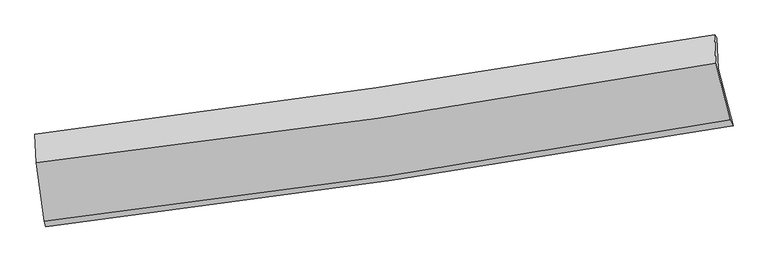
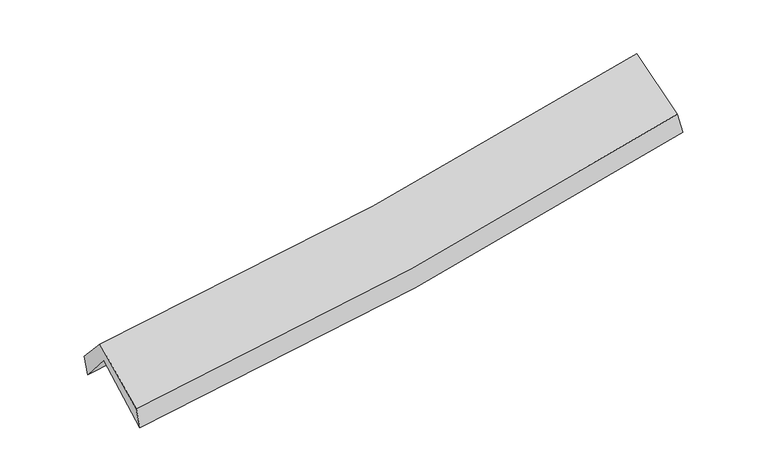
"""IFC4 building model written with IfcOpenShell, lengths in millimetres: proxy geometry."""

from ifc_helpers import new_model, si_unit, frame, origin, place, context, project, spatial, source, transform, mapped, element, save
from ifc_brep_helpers import plane_surface, spline_curve, spline_surface, advanced_brep


def generic_models_a3005fc5(model_context):
    return source(origin(), model_context, "Body", "AdvancedBrep", [
        advanced_brep(
        [(-2913.6564032, -2519.2067632, 1461.0657911), (-2986.3033732, -2010.3381015, 1893.4390995), (2919.4606283, -1150.6096162, 2403.0342148), (3046.988423, -1643.1736904, 1978.5881783), (-2997.4025891, -1753.1511785, 1587.9582462), (2906.3376241, -881.1277752, 2099.1256218), (-3009.7089537, -1716.984408, 1764.8026925), (2885.8000668, -856.3665831, 2254.1608124), (-2997.950004, -1967.1472577, 2042.2448591), (2897.3828083, -1103.6364045, 2537.3600479), (-2926.9705639, -2473.9566073, 1639.7173494), (3020.5060303, -1591.8765017, 2147.7305733)],
        [
            (0, 1),
            (1, 2, spline_curve(3, [(-2986.3033732, -2010.3381015, 1893.4390995), (-1993.0575877, -1889.1548597, 1936.705063428), (-1003.246689197, -1756.742723812, 2000.939330144), (965.312169467, -1470.071295355, 2170.982265563), (1944.089271336, -1315.90726925, 2276.613037525), (2919.4606283, -1150.6096162, 2403.0342148)], [4, 2, 4], [0.0, 9.897082229035503, 19.752091151752285])),
            (2, 3),
            (3, 0, spline_curve(3, [(3046.988423, -1643.1736904, 1978.5881783), (2063.125353386, -1814.228535856, 1849.533575106), (1075.539411965, -1972.630223477, 1741.925491323), (-911.310341353, -2264.749517015, 1569.234517481), (-1910.606008528, -2398.358853681, 1504.33513917), (-2913.6564032, -2519.2067632, 1461.0657911)], [4, 2, 4], [0.0, 9.855008922716783, 19.752091151752285])),
            (1, 4),
            (4, 5, spline_curve(3, [(-2997.4025891, -1753.1511785, 1587.9582462), (-2003.940901903, -1629.562854871, 1625.668223096), (-1014.191650601, -1494.921794155, 1687.261994013), (953.690257422, -1204.153553702, 1857.853751665), (1931.854410273, -1048.12014708, 1966.649106004), (2906.3376241, -881.1277752, 2099.1256218)], [4, 2, 4], [0.0, 9.850237009939235, 19.658599856418927])),
            (5, 2),
            (4, 6),
            (6, 7, spline_curve(3, [(-3009.7089537, -1716.984408, 1764.8026925), (-2019.680036422, -1593.368082687, 1818.191937062), (-1032.332371911, -1459.667569126, 1885.78345402), (932.814553632, -1172.709405606, 2049.023320888), (1910.636562631, -1019.537310848, 2144.551177053), (2885.8000668, -856.3665831, 2254.1608124)], [4, 2, 4], [0.0, 9.839731542092743, 19.637633580329297])),
            (7, 5),
            (6, 8),
            (8, 9, spline_curve(3, [(-2997.950004, -1967.1472577, 2042.2448591), (-2005.905469663, -1853.233775411, 2088.935571088), (-1017.566890018, -1724.132235703, 2153.666757807), (947.512605769, -1436.166427582, 2318.858211089), (1924.284963782, -1277.431016494, 2419.165420899), (2897.3828083, -1103.6364045, 2537.3600479)], [4, 2, 4], [0.0, 9.830496386625537, 19.619202528796382])),
            (9, 7),
            (8, 10),
            (10, 11, spline_curve(3, [(-2926.9705639, -2473.9566073, 1639.7173494), (-1925.877709789, -2357.871987362, 1688.410218724), (-928.660760694, -2226.133153651, 1755.219771811), (1053.798554041, -1931.973640249, 1924.711216409), (2039.073802915, -1769.685771781, 2027.239404963), (3020.5060303, -1591.8765017, 2147.7305733)], [4, 2, 4], [0.0, 9.877289063718731, 19.71258896348395])),
            (11, 9),
            (10, 0),
            (3, 11),
        ],
        [
            spline_surface(3, 3, [[(-2913.6564032, -2519.2067632, 1461.0657911), (-1910.606008489, -2398.358853592, 1504.335139257), (-911.31034134, -2264.749516951, 1569.234517613), (1075.539411952, -1972.630223541, 1741.925491191), (2063.125353511, -1814.228535961, 1849.53357521), (3046.988423, -1643.1736904, 1978.5881783)], [(-2937.872059877, -2349.583875961, 1605.190227265), (-1938.089868253, -2228.624188918, 1648.458447358), (-941.955790609, -2095.413919308, 1713.136121793), (1038.79699779, -1805.110580784, 1884.944415981), (2023.44665944, -1648.121447009, 1991.893395917), (3004.479158083, -1478.985665667, 2120.070190454)], [(-2962.087716523, -2179.960988739, 1749.314663335), (-1965.573727987, -2058.88952426, 1792.581755363), (-972.601239902, -1926.078321602, 1857.03772597), (1002.054583603, -1637.590937965, 2027.963340768), (1983.767965419, -1482.014358057, 2134.253216662), (2961.969893217, -1314.797640933, 2261.552202646)], [(-2986.3033732, -2010.3381015, 1893.4390995), (-1993.05758775, -1889.154859586, 1936.705063464), (-1003.246689171, -1756.742723959, 2000.939330149), (965.31216944, -1470.071295209, 2170.982265558), (1944.089271348, -1315.907269104, 2276.61303737), (2919.4606283, -1150.6096162, 2403.0342148)]], [4, 4], [4, 2, 4], [0.0, 2.2027232717859415], [0.0, 9.897082229035503, 19.752091151752285]),
            spline_surface(3, 3, [[(-2986.3033732, -2010.3381015, 1893.4390995), (-1993.05758775, -1889.154859586, 1936.705063464), (-1003.246689171, -1756.742723959, 2000.939330149), (965.31216944, -1470.071295209, 2170.982265558), (1944.089271348, -1315.907269104, 2276.61303737), (2919.4606283, -1150.6096162, 2403.0342148)], [(-2990.003111807, -1924.609127177, 1791.612148387), (-1996.685359085, -1802.624191365, 1833.026116702), (-1006.895009604, -1669.469080627, 1896.380218155), (961.438198715, -1381.432048054, 2066.606094257), (1940.010984348, -1226.644895064, 2173.291726896), (2915.086293569, -1060.782335885, 2301.73135047)], [(-2993.702850493, -1838.880152823, 1689.785197313), (-2000.313130497, -1716.093523113, 1729.347169979), (-1010.543330024, -1582.195437369, 1791.821106089), (957.564228004, -1292.792800975, 1962.229922884), (1935.932697339, -1137.382520969, 2069.97041641), (2910.711958831, -970.955055515, 2200.42848613)], [(-2997.4025891, -1753.1511785, 1587.9582462), (-2003.940901831, -1629.562854893, 1625.668223217), (-1014.191650457, -1494.921794036, 1687.261994095), (953.690257279, -1204.153553821, 1857.853751583), (1931.854410338, -1048.120146929, 1966.649105936), (2906.3376241, -881.1277752, 2099.1256218)]], [4, 4], [4, 2, 4], [0.0, 1.3446313465795423], [0.0, 9.850237009939235, 19.658599856418927]),
            spline_surface(3, 3, [[(-2997.4025891, -1753.1511785, 1587.9582462), (-2003.940901831, -1629.562854893, 1625.668223217), (-1014.191650457, -1494.921794036, 1687.261994095), (953.690257279, -1204.153553821, 1857.853751583), (1931.854410338, -1048.120146929, 1966.649105936), (2906.3376241, -881.1277752, 2099.1256218)], [(-3001.504710664, -1741.095588327, 1646.906394974), (-2009.187280014, -1617.497930823, 1689.842794511), (-1020.238557609, -1483.170385723, 1753.435814078), (946.731689384, -1193.672171085, 1921.576941291), (1924.781794454, -1038.592534929, 2025.949796321), (2899.491771658, -872.874044501, 2150.804018669)], [(-3005.606832136, -1729.039998173, 1705.854543726), (-2014.433658103, -1605.433006773, 1754.017365784), (-1026.285464742, -1471.418977421, 1819.60963414), (939.773121509, -1183.19078836, 1985.300131079), (1917.709178596, -1029.064922924, 2085.250486698), (2892.645919242, -864.620313799, 2202.482415531)], [(-3009.7089537, -1716.984408, 1764.8026925), (-2019.680036286, -1593.368082703, 1818.191937078), (-1032.332371894, -1459.667569107, 1885.783454122), (932.814553615, -1172.709405625, 2049.023320787), (1910.636562712, -1019.537310924, 2144.551177083), (2885.8000668, -856.3665831, 2254.1608124)]], [4, 4], [4, 2, 4], [0.0, 0.6517558148113979], [0.0, 9.839731542092743, 19.637633580329297]),
            spline_surface(3, 3, [[(-3009.7089537, -1716.984408, 1764.8026925), (-2019.680036286, -1593.368082703, 1818.191937078), (-1032.332371894, -1459.667569107, 1885.783454122), (932.814553615, -1172.709405625, 2049.023320787), (1910.636562712, -1019.537310924, 2144.551177083), (2885.8000668, -856.3665831, 2254.1608124)], [(-3005.789303776, -1800.372024576, 1857.283414679), (-2015.088514028, -1679.989980279, 1908.439815095), (-1027.410544585, -1547.822457947, 1975.077888697), (937.713904337, -1260.528412973, 2138.968284245), (1915.186029684, -1105.501879413, 2236.089258313), (2889.660980628, -938.789856894, 2348.560557569)], [(-3001.869653924, -1883.759641124, 1949.764136921), (-2010.496991842, -1766.611877827, 1998.687693174), (-1022.488717307, -1635.977346782, 2064.372323216), (942.613255028, -1348.347420315, 2228.913247647), (1919.735496672, -1191.46644792, 2327.627339536), (2893.521894472, -1021.213130706, 2442.960302731)], [(-2997.950004, -1967.1472577, 2042.2448591), (-2005.905469584, -1853.233775403, 2088.935571191), (-1017.566889999, -1724.132235622, 2153.666757791), (947.51260575, -1436.166427662, 2318.858211105), (1924.284963644, -1277.431016409, 2419.165420767), (2897.3828083, -1103.6364045, 2537.3600479)]], [4, 4], [4, 2, 4], [0.0, 1.237083130912777], [0.0, 9.830496386625537, 19.619202528796382]),
            spline_surface(3, 3, [[(-2997.950004, -1967.1472577, 2042.2448591), (-2005.905469584, -1853.233775403, 2088.935571191), (-1017.566889999, -1724.132235622, 2153.666757791), (947.51260575, -1436.166427662, 2318.858211105), (1924.284963644, -1277.431016409, 2419.165420767), (2897.3828083, -1103.6364045, 2537.3600479)], [(-2974.290190653, -2136.083707535, 1908.06902254), (-1979.229549672, -2021.446512657, 1955.427120357), (-987.931513555, -1891.465875028, 2020.851095726), (982.941255124, -1601.43549851, 2187.475879576), (1962.547910042, -1441.51593485, 2288.523415481), (2938.423882311, -1266.383103569, 2407.483556381)], [(-2950.630377247, -2305.020157465, 1773.89318596), (-1952.553629702, -2189.659250007, 1821.918669503), (-958.296137041, -2058.799514361, 1888.035433714), (1018.369904569, -1766.704569285, 2056.0935481), (2000.810856405, -1605.600853284, 2157.881410153), (2979.464956289, -1429.129802631, 2277.607064819)], [(-2926.9705639, -2473.9566073, 1639.7173494), (-1925.87770979, -2357.871987262, 1688.410218669), (-928.660760597, -2226.133153768, 1755.219771649), (1053.798553944, -1931.973640134, 1924.71121657), (2039.073802802, -1769.685771725, 2027.239404868), (3020.5060303, -1591.8765017, 2147.7305733)]], [4, 4], [4, 2, 4], [0.0, 2.1147927232692263], [0.0, 9.877289063718731, 19.71258896348395]),
            spline_surface(3, 3, [[(-2926.9705639, -2473.9566073, 1639.7173494), (-1925.87770979, -2357.871987262, 1688.410218669), (-928.660760597, -2226.133153768, 1755.219771649), (1053.798553944, -1931.973640134, 1924.71121657), (2039.073802802, -1769.685771725, 2027.239404868), (3020.5060303, -1591.8765017, 2147.7305733)], [(-2922.532510323, -2489.039992625, 1580.166829955), (-1920.787142679, -2371.367609396, 1627.051858853), (-922.877287495, -2239.00527481, 1693.224686971), (1061.04550663, -1945.525834584, 1863.782641444), (2047.090986388, -1784.533359787, 1968.004128305), (3029.33349455, -1608.975564584, 2091.349774956)], [(-2918.094456777, -2504.123377875, 1520.616310545), (-1915.6965756, -2384.863231457, 1565.693499073), (-917.093814442, -2251.877395909, 1631.229602292), (1068.292459267, -1959.078029091, 1802.854066317), (2055.108169925, -1799.380947899, 1908.768851773), (3038.16095875, -1626.074627516, 2034.968976644)], [(-2913.6564032, -2519.2067632, 1461.0657911), (-1910.606008489, -2398.358853592, 1504.335139257), (-911.31034134, -2264.749516951, 1569.234517613), (1075.539411952, -1972.630223541, 1741.925491191), (2063.125353511, -1814.228535961, 1849.53357521), (3046.988423, -1643.1736904, 1978.5881783)]], [4, 4], [4, 2, 4], [0.0, 0.6220880780467433], [0.0, 9.933423970875937, 19.82462014371517]),
            plane_surface(frame((2946.0792635, -1204.4650952, 2236.6665747), z_axis=(0.9808918534978917, 0.16464945325493033, 0.10364231415943666), x_axis=(0.19338620934970416, -0.7668650973487846, -0.6119801438785344))),
            plane_surface(frame((-2971.9986479, -2073.4640527, 1731.5380063), z_axis=(-0.993741181533713, -0.10058987450266493, -0.048581285198298935), x_axis=(-0.07205668192357775, 0.2448953532681326, 0.9668681919154446))),
        ],
        [
            (0, [[1, 2, 3, 4]]),
            (1, [[5, 6, 7, -2]]),
            (2, [[8, 9, 10, -6]]),
            (3, [[11, 12, 13, -9]]),
            (4, [[14, 15, 16, -12]]),
            (5, [[17, -4, 18, -15]]),
            (6, [[-16, -18, -3, -7, -10, -13]]),
            (7, [[-17, -14, -11, -8, -5, -1]]),
        ],
    ),
    ])


if __name__ == "__main__":
    model = new_model("IFC4")
    model_context = context("Model", 3, world=origin())
    ifc_project = project(units=[si_unit("LENGTHUNIT", "METRE", prefix="MILLI")], contexts=[model_context])
    site = spatial("IfcSite", under=ifc_project)
    building = spatial("IfcBuilding", under=site)
    placement = place(None, origin())
    generic_models_shape = generic_models_a3005fc5(model_context)
    element("IfcBuildingElementProxy", 1, Name="Generic Models", at=placement, inside=building, context=model_context, shape_type="MappedRepresentation", body=[
        mapped(generic_models_shape, transform((0.0, 0.0, 0.0), x_axis=(1.0, 0.0, 0.0), y_axis=(0.0, 1.0, 0.0), z_axis=(0.0, 0.0, 1.0))),
    ])
    save(model, "model.ifc")
